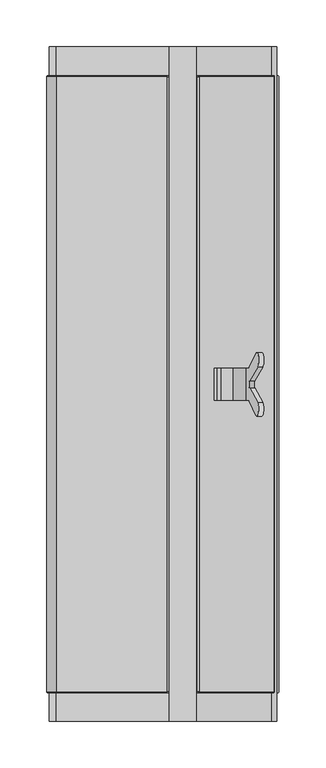
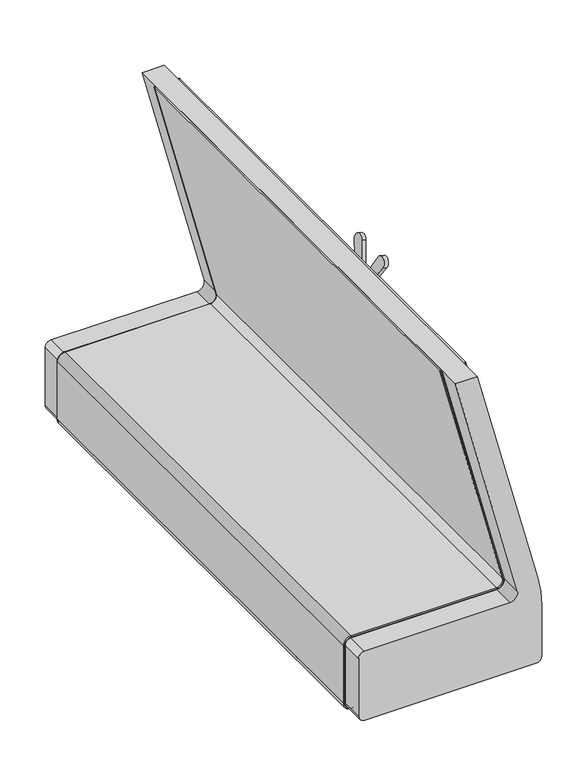
"""IFC4 building model written with IfcOpenShell, lengths in millimetres: furniture geometry."""

from ifc_helpers import new_model, si_unit, point, frame, frame_2d, origin, place, context, project, spatial, polyline, circle_curve, ellipse_curve, trimmed, segment, composite_curve, outline, extrude, source, transform, mapped, element, save
from ifc_brep_helpers import plane_surface, cylinder_surface, revolved_surface, advanced_brep


def furniture_b3154711(model_context):
    return source(origin(), model_context, "Body", "SolidModel", [
        advanced_brep(
        [(193.3587795, -385.5473242, 602.6326914), (217.7711079, -385.5473242, 603.0588101), (220.1620362, -385.5473242, 611.981876), (214.7769063, -385.5473242, 613.4248172), (212.72859, -385.5473242, 605.7803969), (198.7464015, -385.5473242, 605.5363369), (185.8906855, -385.5473242, 647.585489), (181.7685595, -385.5473242, 649.7772623), (178.4433422, -385.5473242, 648.7606414), (180.2031859, -385.5473242, 641.6817032), (181.3162582, -385.5473242, 642.0220036), (193.3587795, -351.4556914, 602.6326914), (181.3162582, -351.4556914, 642.0220036), (180.2031859, -351.4556914, 641.6817032), (178.4433422, -351.4556914, 648.7606414), (181.7685595, -351.4556914, 649.7772623), (185.8906855, -351.4556914, 647.585489), (198.7464015, -351.4556914, 605.5363369), (212.72859, -351.4556914, 605.7803969), (214.7769063, -351.4556914, 613.4248172), (220.1620362, -351.4556914, 611.981876), (217.7711079, -351.4556914, 603.0588101), (221.2840671, -350.3345338, 616.1693525), (228.1777232, -335.5704892, 641.8968271), (230.0576352, -350.1386607, 648.9127544), (221.614104, -364.6634895, 617.4010668), (221.5967593, -372.342626, 617.3363355), (230.0082453, -387.4973853, 648.7284287), (228.1721298, -401.4205473, 641.8759525), (221.2840671, -386.6684818, 616.1693525), (215.8989372, -386.6684818, 617.6122938), (222.7869999, -401.4205473, 643.3188937), (224.6231154, -387.4973853, 650.1713699), (216.2116294, -372.342626, 618.7792767), (216.2289741, -364.6634895, 618.844008), (224.6725053, -350.1386607, 650.3556956), (222.7925933, -335.5704892, 643.3397683), (215.8989372, -350.3345338, 617.6122938)],
        [
            (0, 1, circle_curve(frame((205.5038499, -385.5473242, 606.345812), z_axis=(0.0, -1.0, 0.0), x_axis=(1.0, 0.0, 0.0)), 12.7)),
            (1, 2),
            (2, 3),
            (3, 4),
            (4, 5, circle_curve(frame((205.7025042, -385.5473242, 607.6630309), z_axis=(0.0, 1.0, 0.0), x_axis=(1.0, 0.0, 0.0)), 7.2739393)),
            (5, 6),
            (6, 7, circle_curve(frame((182.7337359, -385.5473242, 646.6203126), z_axis=(0.0, -1.0, 0.0), x_axis=(1.0, 0.0, 0.0)), 3.3011963)),
            (7, 8),
            (8, 9),
            (9, 10),
            (10, 0),
            (11, 12),
            (12, 13),
            (13, 14),
            (14, 15),
            (15, 16, circle_curve(frame((182.7337359, -351.4556914, 646.6203126), z_axis=(0.0, 1.0, 0.0), x_axis=(1.0, 0.0, 0.0)), 3.3011963)),
            (16, 17),
            (17, 18, circle_curve(frame((205.7025042, -351.4556914, 607.6630309), z_axis=(0.0, -1.0, 0.0), x_axis=(1.0, 0.0, 0.0)), 7.2739393)),
            (18, 19),
            (19, 20),
            (20, 21),
            (21, 11, circle_curve(frame((205.5038499, -351.4556914, 606.345812), z_axis=(0.0, 1.0, 0.0), x_axis=(1.0, 0.0, 0.0)), 12.7)),
            (0, 11),
            (21, 1),
            (20, 22, circle_curve(frame((220.1620362, -342.5136355, 611.981876), z_axis=(-0.9659258262890681, 0.0, 0.25881904510252135), x_axis=(-0.25881904510252135, 0.0, -0.9659258262890681)), 8.942056)),
            (22, 23),
            (23, 24, circle_curve(frame((229.1999914, -342.696011, 645.7119842), z_axis=(0.9659258262890681, 0.0, -0.25881904510252135), x_axis=(-0.25881904510252135, 0.0, -0.9659258262890681)), 8.1469944)),
            (24, 25),
            (25, 26, circle_curve(frame((222.0583111, -368.5183279, 619.0588705), z_axis=(-0.9659258262890681, 0.0, 0.25881904510252135), x_axis=(0.0, -1.0, 0.0)), 4.219646)),
            (26, 27),
            (27, 28, circle_curve(frame((229.1531075, -394.5828338, 645.5370108), z_axis=(0.9659258262890681, 0.0, -0.25881904510252135), x_axis=(-0.25881904510252135, 0.0, -0.9659258262890681)), 7.8179274)),
            (28, 29),
            (29, 2, circle_curve(frame((220.1620362, -394.4893802, 611.981876), z_axis=(-0.9659258262890681, 0.0, 0.25881904510252135), x_axis=(-0.25881904510252135, 0.0, -0.9659258262890681)), 8.942056)),
            (3, 30, circle_curve(frame((214.7769063, -394.4893802, 613.4248172), z_axis=(0.9659258262890681, 0.0, -0.25881904510252135), x_axis=(-0.25881904510252135, 0.0, -0.9659258262890681)), 8.942056)),
            (30, 31),
            (31, 32, circle_curve(frame((223.7679776, -394.5828338, 646.979952), z_axis=(-0.9659258262890681, 0.0, 0.25881904510252135), x_axis=(-0.25881904510252135, 0.0, -0.9659258262890681)), 7.8179274)),
            (32, 33),
            (33, 34, circle_curve(frame((216.6731812, -368.5183279, 620.5018117), z_axis=(0.9659258262890681, 0.0, -0.25881904510252135), x_axis=(0.0, -1.0, 0.0)), 4.219646)),
            (34, 35),
            (35, 36, circle_curve(frame((223.8148615, -342.696011, 647.1549254), z_axis=(-0.9659258262890681, 0.0, 0.25881904510252135), x_axis=(-0.25881904510252135, 0.0, -0.9659258262890681)), 8.1469944)),
            (36, 37),
            (37, 19, circle_curve(frame((214.7769063, -342.5136355, 613.4248172), z_axis=(0.9659258262890681, 0.0, -0.25881904510252135), x_axis=(-0.25881904510252135, 0.0, -0.9659258262890681)), 8.942056)),
            (18, 4),
            (17, 5),
            (16, 6),
            (15, 7),
            (14, 8),
            (13, 9),
            (12, 10),
            (28, 31),
            (30, 29),
            (24, 35),
            (34, 25),
            (33, 26),
            (32, 27),
            (37, 22),
            (36, 23),
        ],
        [
            plane_surface(frame((218.2038499, -385.5473242, 606.345812), z_axis=(0.0, -1.0, 0.0), x_axis=(0.0, 0.0, 1.0))),
            plane_surface(frame((218.2038499, -351.4556914, 606.345812), z_axis=(0.0, 1.0, 0.0), x_axis=(0.0, 0.0, -1.0))),
            cylinder_surface(frame((205.5038499, -351.4556914, 606.345812), z_axis=(0.0, -1.0, 0.0), x_axis=(1.0, 0.0, 0.0)), 12.7),
            plane_surface(frame((217.7711079, -385.5473242, 603.0588101), z_axis=(0.9659258262890658, 0.0, -0.2588190451025303), x_axis=(0.0, 1.0, 0.0))),
            plane_surface(frame((213.9491973, -385.5473242, 610.3357653), z_axis=(-0.9659258262890684, 0.0, 0.2588190451025202), x_axis=(0.0, 1.0, 0.0))),
            revolved_surface(polyline([(212.9764435, -351.4556914, 607.6630309), (212.9764435, -385.5473242, 607.6630309)]), (205.7025042, -351.4556914, 607.6630309), (0.0, 1.0, 0.0)),
            plane_surface(frame((198.7464015, -385.5473242, 605.5363369), z_axis=(0.9563047559630361, 0.0, 0.2923717047227351), x_axis=(0.0, 1.0, 0.0))),
            cylinder_surface(frame((182.7337359, -351.4556914, 646.6203126), z_axis=(0.0, -1.0, 0.0), x_axis=(1.0, 0.0, 0.0)), 3.3011963),
            plane_surface(frame((181.7685595, -385.5473242, 649.7772623), z_axis=(-0.2923717047227147, 0.0, 0.9563047559630422), x_axis=(0.0, 1.0, 0.0))),
            plane_surface(frame((178.4433422, -385.5473242, 648.7606414), z_axis=(-0.9704607081355684, 0.0, -0.24125922565782051), x_axis=(0.0, 1.0, 0.0))),
            plane_surface(frame((180.2031859, -385.5473242, 641.6817032), z_axis=(0.29237170472277046, 0.0, -0.9563047559630252), x_axis=(0.0, 1.0, 0.0))),
            plane_surface(frame((181.3162582, -385.5473242, 642.0220036), z_axis=(-0.9563047559630361, 0.0, -0.2923717047227349), x_axis=(0.0, 1.0, 0.0))),
            plane_surface(frame((228.1721298, -401.4205473, 641.8759525), z_axis=(-0.1254779629686724, -0.8746197071393738, -0.46829013302937417), x_axis=(-0.9659258262890685, 0.0, 0.25881904510251996))),
            plane_surface(frame((230.0576352, -350.1386607, 648.9127544), z_axis=(0.10527118956909548, -0.9135454576425981, 0.3928774280450376), x_axis=(-0.9659258262890685, 0.0, 0.25881904510251996))),
            revolved_surface(polyline([(216.6731812, -372.7379739, 620.5018117), (222.05831115646887, -372.7379739, 619.0588704770274)]), (216.6731812, -368.5183279, 620.5018117), (-0.9659258262890681, 0.0, 0.25881904510252135)),
            plane_surface(frame((221.5967593, -372.342626, 617.3363355), z_axis=(0.10938165494660308, 0.9063077870366518, 0.40821789367673417), x_axis=(-0.9659258262890685, 0.0, 0.25881904510251996))),
            revolved_surface(polyline([(212.4625318364423, -394.4893802, 604.7874543878005), (217.84766180286627, -394.4893802, 603.3445131621605)]), (214.7769063, -394.4893802, 613.4248172), (-0.9659258262890681, 0.0, 0.25881904510252135)),
            revolved_surface(polyline([(212.4625318364423, -342.5136355, 604.7874543878005), (217.84766180286627, -342.5136355, 603.3445131621605)]), (214.7769063, -342.5136355, 613.4248172), (-0.9659258262890681, 0.0, 0.25881904510252135)),
            plane_surface(frame((221.2840671, -350.3345338, 616.1693525), z_axis=(-0.12547796296869354, 0.8746197071393723, -0.46829013302937084), x_axis=(-0.9659258262890685, 0.0, 0.25881904510251996))),
            cylinder_surface(frame((223.8148615, -342.696011, 647.1549254), z_axis=(0.9659258262890681, 0.0, -0.25881904510252135), x_axis=(-0.25881904510252135, 0.0, -0.9659258262890681)), 8.1469944),
            cylinder_surface(frame((223.7679776, -394.5828338, 646.979952), z_axis=(0.9659258262890681, 0.0, -0.25881904510252135), x_axis=(-0.25881904510252135, 0.0, -0.9659258262890681)), 7.8179274),
        ],
        [
            (0, [[1, 2, 3, 4, 5, 6, 7, 8, 9, 10, 11]]),
            (1, [[12, 13, 14, 15, 16, 17, 18, 19, 20, 21, 22]]),
            (2, [[-1, 23, -22, 24]]),
            (3, [[-2, -24, -21, 25, 26, 27, 28, 29, 30, 31, 32, 33]]),
            (4, [[-4, 34, 35, 36, 37, 38, 39, 40, 41, 42, -19, 43]]),
            (5, [[-5, -43, -18, 44]]),
            (6, [[-6, -44, -17, 45]]),
            (7, [[-7, -45, -16, 46]]),
            (8, [[-8, -46, -15, 47]]),
            (9, [[-9, -47, -14, 48]]),
            (10, [[-10, -48, -13, 49]]),
            (11, [[-11, -49, -12, -23]]),
            (12, [[-32, 50, -35, 51]]),
            (13, [[-28, 52, -39, 53]]),
            (14, [[-29, -53, -38, 54]]),
            (15, [[-30, -54, -37, 55]]),
            (16, [[-33, -51, -34, -3]]),
            (17, [[-25, -20, -42, 56]]),
            (18, [[-26, -56, -41, 57]]),
            (19, [[-27, -57, -40, -52]]),
            (20, [[-31, -55, -36, -50]]),
        ],
    ),
        extrude(outline(composite_curve([segment(polyline([(379.1040886, 202.6657788), (379.1040886, 10.0860828)]), True, "CONTINUOUS"), segment(trimmed(circle_curve(frame_2d((371.3713747, 10.0860828)), 7.7327139), [point((379.1040886, 10.0860828))], [point((371.3713747, 2.3533689))], False, "CARTESIAN"), True, "CONTINUOUS"), segment(polyline([(371.3713747, 2.3533689), (290.5217681, 2.3533689)]), True, "CONTINUOUS"), segment(trimmed(circle_curve(frame_2d((290.5217681, 10.6643227)), 8.3109538), [point((290.5217681, 2.3533689))], [point((282.2108144, 10.6643227))], False, "CARTESIAN"), True, "CONTINUOUS"), segment(polyline([(282.2108144, 10.6643227), (282.2108144, 237.4355134)]), True, "CONTINUOUS"), segment(trimmed(circle_curve(frame_2d((289.6814905, 237.4355134)), 7.4706762), [point((282.2108144, 237.4355134))], [point((289.6814905, 244.9061895))], False, "CARTESIAN"), True, "CONTINUOUS"), segment(polyline([(289.6814905, 244.9061895), (360.6059113, 244.9061895)]), True, "CONTINUOUS"), segment(trimmed(circle_curve(frame_2d((360.6059113, 82.1595585)), 162.7466311), [point((360.6059113, 244.9061895))], [point((401.2295525, 239.7545637))], False, "CARTESIAN"), True, "CONTINUOUS"), segment(polyline([(401.2295525, 239.7545637), (711.1999758, 159.8527468), (711.1999758, 130.6057283), (392.2204284, 212.8298487)]), True, "CONTINUOUS"), segment(trimmed(circle_curve(frame_2d((389.6004119, 202.6657788)), 10.4963233), [point((392.2204284, 212.8298487))], [point((379.1040886, 202.6657788))], True, "CARTESIAN"), True, "CONTINUOUS")], self_intersect=False)), frame((0.0, -727.494313, 0.0), z_axis=(0.0, 1.0, 0.0), x_axis=(0.0, 0.0, 1.0)), (0.0, 0.0, 1.0), 718.8698003),
        advanced_brep(
        [(247.2595585, -40.4461718, 294.1584798), (246.0571213, -39.2437347, 294.1584798), (244.9061895, -39.2437347, 294.1584798), (244.9061895, -697.3552722, 294.1584798), (246.046603, -697.3552722, 294.1584798), (247.2595585, -696.1423167, 294.1584798), (162.2726299, -40.4461718, 711.2403803), (162.2726299, -696.1423167, 711.2403803), (242.0334385, -696.1423167, 401.8169835), (242.0334385, -40.4461718, 401.8169835), (161.3326906, -697.3552722, 710.0274248), (240.8588783, -697.3552722, 401.5142143), (160.4489652, -697.3552722, 708.8870113), (160.4489652, -39.2437347, 708.8870113), (239.7545637, -39.2437347, 401.2295525), (239.7545637, -697.3552722, 401.2295525), (161.3408414, -39.2437347, 710.0379432), (240.8690637, -39.2437347, 401.5168398), (247.2595585, -696.1423167, 289.6814905), (247.2595585, -40.4461718, 289.6814905), (246.046603, -697.3552722, 289.6814905), (244.9061895, -697.3552722, 289.6814905), (237.4355134, -697.3552722, 282.2108144), (10.6643227, -697.3552722, 282.2108144), (2.3533689, -697.3552722, 290.5217681), (2.3533689, -697.3552722, 371.3713747), (10.0860828, -697.3552722, 379.1040886), (202.6657788, -697.3552722, 379.1040886), (212.8298487, -697.3552722, 392.2204284), (131.2019467, -697.3552722, 708.8870113), (217.5042924, -697.3552722, 379.0250139), (217.2173591, -697.3552722, 377.9212874), (129.7302871, -697.3552722, 710.0274248), (211.7255341, -697.3552722, 391.9357666), (202.6657788, -697.3552722, 380.2445021), (10.0860828, -697.3552722, 380.2445021), (1.2129555, -697.3552722, 371.3713747), (1.2129555, -697.3552722, 290.5217681), (10.6643227, -697.3552722, 281.0704009), (237.4355134, -697.3552722, 281.0704009), (244.9061895, -39.2437347, 289.6814905), (246.0571213, -39.2437347, 289.6814905), (237.4355134, -39.2437347, 281.0598825), (10.6643227, -39.2437347, 281.0598825), (1.2024371, -39.2437347, 290.5217681), (1.2024371, -39.2437347, 371.3713747), (10.0860828, -39.2437347, 380.2550204), (202.6657788, -39.2437347, 380.2550204), (211.7153487, -39.2437347, 391.9331411), (129.7167136, -39.2437347, 710.0379432), (217.2147126, -39.2437347, 377.9111074), (217.5042924, -39.2437347, 379.0250139), (131.2019467, -39.2437347, 708.8870113), (212.8298487, -39.2437347, 392.2204284), (202.6657788, -39.2437347, 379.1040886), (10.0860828, -39.2437347, 379.1040886), (2.3533689, -39.2437347, 371.3713747), (2.3533689, -39.2437347, 290.5217681), (10.6643227, -39.2437347, 282.2108144), (237.4355134, -39.2437347, 282.2108144), (237.4355134, -40.4461718, 279.8574454), (237.4355134, -696.1423167, 279.8574454), (10.6643227, -696.1423167, 279.8574454), (10.6643227, -40.4461718, 279.8574454), (0.0, -40.4461718, 290.5217681), (0.0, -696.1423167, 290.5217681), (0.0, -696.1423167, 371.3713747), (0.0, -40.4461718, 371.3713747), (10.0860828, -40.4461718, 381.4574575), (10.0860828, -696.1423167, 381.4574575), (202.6657788, -696.1423167, 381.4574575), (202.6657788, -40.4461718, 381.4574575), (210.5509739, -40.4461718, 391.6329974), (210.5509739, -696.1423167, 391.6329974), (128.1650149, -696.1423167, 711.2403803), (128.1650149, -40.4461718, 711.2403803), (216.9121739, -40.4461718, 376.7473526), (216.9121739, -696.1423167, 376.7473526)],
        [
            (0, 1, circle_curve(frame((246.0571213, -40.4461718, 294.1584798), z_axis=(0.0, 0.0, 1.0), x_axis=(0.0, 1.0, 0.0)), 1.2024371)),
            (1, 2),
            (2, 3),
            (3, 4),
            (4, 5, circle_curve(frame((246.046603, -696.1423167, 294.1584798), z_axis=(0.0, 0.0, 1.0), x_axis=(0.0, 1.0, 0.0)), 1.2129555)),
            (5, 0),
            (6, 7),
            (7, 8),
            (8, 9),
            (9, 6),
            (7, 10, ellipse_curve(frame((161.3326906, -696.1423167, 710.0274248), z_axis=(0.7904469600847142, 0.0, -0.6125304917249706), x_axis=(0.6125304917249708, 0.0, 0.7904469600847139)), 1.5345185, 1.2129555)),
            (10, 11),
            (11, 8, circle_curve(frame((240.8588783, -696.1423167, 401.5142143), z_axis=(-0.24961279341432757, 0.0, 0.9683457302863974), x_axis=(0.0, 1.0, 0.0)), 1.2129555)),
            (12, 13),
            (13, 14),
            (14, 15),
            (15, 12),
            (16, 6, ellipse_curve(frame((161.3408414, -40.4461718, 710.0379432), z_axis=(0.7904469600847142, 0.0, -0.6125304917249706), x_axis=(0.6125304917249708, 0.0, 0.7904469600847139)), 1.5212116, 1.2024371)),
            (9, 17, circle_curve(frame((240.8690637, -40.4461718, 401.5168398), z_axis=(-0.24961279341432757, 0.0, 0.9683457302863974), x_axis=(0.0, 1.0, 0.0)), 1.2024371)),
            (17, 16),
            (5, 18),
            (18, 19),
            (19, 0),
            (4, 20),
            (20, 18, circle_curve(frame((246.046603, -696.1423167, 289.6814905), z_axis=(0.0, 0.0, 1.0), x_axis=(0.0, 1.0, 0.0)), 1.2129555)),
            (3, 21),
            (21, 22, circle_curve(frame((237.4355134, -697.3552722, 289.6814905), z_axis=(0.0, 1.0, 0.0), x_axis=(1.0, 0.0, 0.0)), 7.4706762)),
            (22, 23),
            (23, 24, circle_curve(frame((10.6643227, -697.3552722, 290.5217681), z_axis=(0.0, 1.0, 0.0), x_axis=(0.0, 0.0, -1.0)), 8.3109538)),
            (24, 25),
            (25, 26, circle_curve(frame((10.0860828, -697.3552722, 371.3713747), z_axis=(0.0, 1.0, 0.0), x_axis=(-1.0, 0.0, 0.0)), 7.7327139)),
            (26, 27),
            (27, 28, circle_curve(frame((202.6657788, -697.3552722, 389.6004119), z_axis=(0.0, -1.0, 0.0), x_axis=(0.0, 0.0, -1.0)), 10.4963233)),
            (28, 29),
            (29, 12),
            (15, 30, circle_curve(frame((222.0932261, -697.3552722, 396.6769472), z_axis=(0.0, 1.0, 0.0), x_axis=(0.968345730286397, 0.0, 0.24961279341432874)), 18.2386694)),
            (30, 31),
            (31, 11, circle_curve(frame((222.0932261, -697.3552722, 396.6769472), z_axis=(0.0, -1.0, 0.0), x_axis=(0.968345730286397, 0.0, 0.24961279341432874)), 19.3790829)),
            (10, 32),
            (32, 33),
            (33, 34, circle_curve(frame((202.6657788, -697.3552722, 389.6004119), z_axis=(0.0, 1.0, 0.0), x_axis=(0.0, 0.0, -1.0)), 9.3559098)),
            (34, 35),
            (35, 36, circle_curve(frame((10.0860828, -697.3552722, 371.3713747), z_axis=(0.0, -1.0, 0.0), x_axis=(-1.0, 0.0, 0.0)), 8.8731274)),
            (36, 37),
            (37, 38, circle_curve(frame((10.6643227, -697.3552722, 290.5217681), z_axis=(0.0, -1.0, 0.0), x_axis=(0.0, 0.0, -1.0)), 9.4513672)),
            (38, 39),
            (39, 20, circle_curve(frame((237.4355134, -697.3552722, 289.6814905), z_axis=(0.0, -1.0, 0.0), x_axis=(1.0, 0.0, 0.0)), 8.6110896)),
            (2, 40),
            (40, 21),
            (1, 41),
            (41, 42, circle_curve(frame((237.4355134, -39.2437347, 289.6814905), z_axis=(0.0, 1.0, 0.0), x_axis=(1.0, 0.0, 0.0)), 8.621608)),
            (42, 43),
            (43, 44, circle_curve(frame((10.6643227, -39.2437347, 290.5217681), z_axis=(0.0, 1.0, 0.0), x_axis=(0.0, 0.0, -1.0)), 9.4618856)),
            (44, 45),
            (45, 46, circle_curve(frame((10.0860828, -39.2437347, 371.3713747), z_axis=(0.0, 1.0, 0.0), x_axis=(-1.0, 0.0, 0.0)), 8.8836457)),
            (46, 47),
            (47, 48, circle_curve(frame((202.6657788, -39.2437347, 389.6004119), z_axis=(0.0, -1.0, 0.0), x_axis=(0.0, 0.0, -1.0)), 9.3453914)),
            (48, 49),
            (49, 16),
            (17, 50, circle_curve(frame((222.0932261, -39.2437347, 396.6769472), z_axis=(0.0, 1.0, 0.0), x_axis=(0.968345730286397, 0.0, 0.24961279341432874)), 19.3896013)),
            (50, 51),
            (51, 14, circle_curve(frame((222.0932261, -39.2437347, 396.6769472), z_axis=(0.0, -1.0, 0.0), x_axis=(0.968345730286397, 0.0, 0.24961279341432874)), 18.2386694)),
            (13, 52),
            (52, 53),
            (53, 54, circle_curve(frame((202.6657788, -39.2437347, 389.6004119), z_axis=(0.0, 1.0, 0.0), x_axis=(0.0, 0.0, -1.0)), 10.4963233)),
            (54, 55),
            (55, 56, circle_curve(frame((10.0860828, -39.2437347, 371.3713747), z_axis=(0.0, -1.0, 0.0), x_axis=(-1.0, 0.0, 0.0)), 7.7327139)),
            (56, 57),
            (57, 58, circle_curve(frame((10.6643227, -39.2437347, 290.5217681), z_axis=(0.0, -1.0, 0.0), x_axis=(0.0, 0.0, -1.0)), 8.3109538)),
            (58, 59),
            (59, 40, circle_curve(frame((237.4355134, -39.2437347, 289.6814905), z_axis=(0.0, -1.0, 0.0), x_axis=(1.0, 0.0, 0.0)), 7.4706762)),
            (19, 41, circle_curve(frame((246.0571213, -40.4461718, 289.6814905), z_axis=(0.0, 0.0, 1.0), x_axis=(0.0, 1.0, 0.0)), 1.2024371)),
            (60, 19, circle_curve(frame((237.4355134, -40.4461718, 289.6814905), z_axis=(0.0, -1.0, 0.0), x_axis=(1.0, 0.0, 0.0)), 9.8240451)),
            (18, 61, circle_curve(frame((237.4355134, -696.1423167, 289.6814905), z_axis=(0.0, 1.0, 0.0), x_axis=(1.0, 0.0, 0.0)), 9.8240451)),
            (61, 60),
            (39, 61, circle_curve(frame((237.4355134, -696.1423167, 281.0704009), z_axis=(1.0, 0.0, 0.0), x_axis=(0.0, 1.0, 0.0)), 1.2129555)),
            (59, 22),
            (60, 42, circle_curve(frame((237.4355134, -40.4461718, 281.0598825), z_axis=(1.0, 0.0, 0.0), x_axis=(0.0, 1.0, 0.0)), 1.2024371)),
            (61, 62),
            (62, 63),
            (63, 60),
            (38, 62, circle_curve(frame((10.6643227, -696.1423167, 281.0704009), z_axis=(1.0, 0.0, 0.0), x_axis=(0.0, 1.0, 0.0)), 1.2129555)),
            (58, 23),
            (63, 43, circle_curve(frame((10.6643227, -40.4461718, 281.0598825), z_axis=(1.0, 0.0, 0.0), x_axis=(0.0, 1.0, 0.0)), 1.2024371)),
            (64, 63, circle_curve(frame((10.6643227, -40.4461718, 290.5217681), z_axis=(0.0, -1.0, 0.0), x_axis=(0.0, 0.0, -1.0)), 10.6643227)),
            (62, 65, circle_curve(frame((10.6643227, -696.1423167, 290.5217681), z_axis=(0.0, 1.0, 0.0), x_axis=(0.0, 0.0, -1.0)), 10.6643227)),
            (65, 64),
            (37, 65, circle_curve(frame((1.2129555, -696.1423167, 290.5217681), z_axis=(0.0, 0.0, -1.0), x_axis=(0.0, 1.0, 0.0)), 1.2129555)),
            (57, 24),
            (64, 44, circle_curve(frame((1.2024371, -40.4461718, 290.5217681), z_axis=(0.0, 0.0, -1.0), x_axis=(0.0, 1.0, 0.0)), 1.2024371)),
            (65, 66),
            (66, 67),
            (67, 64),
            (36, 66, circle_curve(frame((1.2129555, -696.1423167, 371.3713747), z_axis=(0.0, 0.0, -1.0), x_axis=(0.0, 1.0, 0.0)), 1.2129555)),
            (56, 25),
            (67, 45, circle_curve(frame((1.2024371, -40.4461718, 371.3713747), z_axis=(0.0, 0.0, -1.0), x_axis=(0.0, 1.0, 0.0)), 1.2024371)),
            (68, 67, circle_curve(frame((10.0860828, -40.4461718, 371.3713747), z_axis=(0.0, -1.0, 0.0), x_axis=(-1.0, 0.0, 0.0)), 10.0860828)),
            (66, 69, circle_curve(frame((10.0860828, -696.1423167, 371.3713747), z_axis=(0.0, 1.0, 0.0), x_axis=(-1.0, 0.0, 0.0)), 10.0860828)),
            (69, 68),
            (35, 69, circle_curve(frame((10.0860828, -696.1423167, 380.2445021), z_axis=(-1.0, 0.0, 0.0), x_axis=(0.0, 1.0, 0.0)), 1.2129555)),
            (55, 26),
            (68, 46, circle_curve(frame((10.0860828, -40.4461718, 380.2550204), z_axis=(-1.0, 0.0, 0.0), x_axis=(0.0, 1.0, 0.0)), 1.2024371)),
            (69, 70),
            (70, 71),
            (71, 68),
            (34, 70, circle_curve(frame((202.6657788, -696.1423167, 380.2445021), z_axis=(-1.0, 0.0, 0.0), x_axis=(0.0, 1.0, 0.0)), 1.2129555)),
            (54, 27),
            (71, 47, circle_curve(frame((202.6657788, -40.4461718, 380.2550204), z_axis=(-1.0, 0.0, 0.0), x_axis=(0.0, 1.0, 0.0)), 1.2024371)),
            (72, 71, circle_curve(frame((202.6657788, -40.4461718, 389.6004119), z_axis=(0.0, 1.0, 0.0), x_axis=(0.0, 0.0, -1.0)), 8.1429543)),
            (70, 73, circle_curve(frame((202.6657788, -696.1423167, 389.6004119), z_axis=(0.0, -1.0, 0.0), x_axis=(0.0, 0.0, -1.0)), 8.1429543)),
            (73, 72),
            (33, 73, circle_curve(frame((211.7255341, -696.1423167, 391.9357666), z_axis=(0.2496127934143152, 0.0, -0.9683457302864005), x_axis=(0.0, 1.0, 0.0)), 1.2129555)),
            (53, 28),
            (72, 48, circle_curve(frame((211.7153487, -40.4461718, 391.9331411), z_axis=(0.24961279341432657, 0.0, -0.9683457302863976), x_axis=(0.0, 1.0, 0.0)), 1.2024371)),
            (73, 74),
            (74, 75),
            (75, 72),
            (32, 74, ellipse_curve(frame((129.7302871, -696.1423167, 710.0274248), z_axis=(-0.6125304917249705, 0.0, -0.7904469600847144), x_axis=(0.7904469600847143, 0.0, -0.6125304917249704)), 1.9802369, 1.2129555)),
            (52, 29),
            (75, 49, ellipse_curve(frame((129.7167136, -40.4461718, 710.0379432), z_axis=(-0.6125304917249705, 0.0, -0.7904469600847144), x_axis=(0.7904469600847143, 0.0, -0.6125304917249704)), 1.9630649, 1.2024371)),
            (75, 6),
            (7, 74),
            (76, 77),
            (77, 31, circle_curve(frame((217.2173591, -696.1423167, 377.9212874), z_axis=(-0.9678301041715497, 0.0, 0.2516046292485238), x_axis=(0.0, 1.0, 0.0)), 1.2129555)),
            (30, 51),
            (50, 76, circle_curve(frame((217.2147126, -40.4461718, 377.9111074), z_axis=(-0.9678301041715497, 0.0, 0.2516046292485238), x_axis=(0.0, 1.0, 0.0)), 1.2024371)),
            (9, 76, circle_curve(frame((222.0932261, -40.4461718, 396.6769472), z_axis=(0.0, 1.0, 0.0), x_axis=(0.968345730286397, 0.0, 0.24961279341432874)), 20.5920384)),
            (77, 8, circle_curve(frame((222.0932261, -696.1423167, 396.6769472), z_axis=(0.0, -1.0, 0.0), x_axis=(0.968345730286397, 0.0, 0.24961279341432874)), 20.5920384)),
        ],
        [
            plane_surface(frame((247.2595585, -736.5990068, 294.1584798), z_axis=(0.0, 0.0, 1.0), x_axis=(0.0, 1.0, 0.0))),
            plane_surface(frame((162.2726299, -696.1423167, 711.2403803), z_axis=(0.9683457302863975, 0.0, 0.2496127934143274), x_axis=(0.2496127934143274, 0.0, -0.9683457302863975))),
            cylinder_surface(frame((161.0980697, -696.1423167, 710.9376111), z_axis=(-0.24961279341432757, 0.0, 0.9683457302863974), x_axis=(0.0, 1.0, 0.0)), 1.2129555),
            plane_surface(frame((160.4489652, -39.2437347, 708.8870113), z_axis=(-0.9683457302863975, 0.0, -0.2496127934143273), x_axis=(0.2496127934143273, 0.0, -0.9683457302863975))),
            cylinder_surface(frame((161.1082551, -40.4461718, 710.9402366), z_axis=(-0.24961279341432757, 0.0, 0.9683457302863974), x_axis=(0.0, 1.0, 0.0)), 1.2024371),
            plane_surface(frame((247.2595585, -696.1423167, 294.1584798), z_axis=(1.0, 0.0, 0.0), x_axis=(0.0, 0.0, -1.0))),
            cylinder_surface(frame((246.046603, -696.1423167, 294.1584798), z_axis=(0.0, 0.0, 1.0), x_axis=(0.0, 1.0, 0.0)), 1.2129555),
            plane_surface(frame((244.9061895, -697.3552722, 294.1584798), z_axis=(0.0, -1.0, 0.0), x_axis=(0.0, 0.0, -1.0))),
            plane_surface(frame((244.9061895, -39.2437347, 294.1584798), z_axis=(-1.0, 0.0, 0.0), x_axis=(0.0, 0.0, -1.0))),
            plane_surface(frame((246.0571213, -39.2437347, 294.1584798), z_axis=(0.0, 1.0, 0.0), x_axis=(0.0, 0.0, -1.0))),
            cylinder_surface(frame((246.0571213, -40.4461718, 294.1584798), z_axis=(0.0, 0.0, 1.0), x_axis=(0.0, 1.0, 0.0)), 1.2024371),
            cylinder_surface(frame((237.4355134, -736.5990068, 289.6814905), z_axis=(0.0, 1.0, 0.0), x_axis=(1.0, 0.0, 0.0)), 9.8240451),
            revolved_surface(trimmed(ellipse_curve(frame((246.046603, -696.1423167, 289.6814905), z_axis=(0.0, 0.0, 1.0), x_axis=(0.0, 1.0, 0.0)), 1.2129555, 1.2129555), [point((246.046603, -697.3552722, 289.6814905))], [point((247.2595585, -696.1423167, 289.6814905))], True, "CARTESIAN"), (237.4355134, -736.5990068, 289.6814905), (0.0, 1.0, 0.0)),
            revolved_surface(polyline([(244.9061896, -39.243734700000005, 289.6814905), (244.9061896, -697.3552722, 289.6814905)]), (237.4355134, -736.5990068, 289.6814905), (0.0, 1.0, 0.0)),
            revolved_surface(trimmed(ellipse_curve(frame((246.0571213, -40.4461718, 289.6814905), z_axis=(0.0, 0.0, 1.0), x_axis=(0.0, 1.0, 0.0)), 1.2024371, 1.2024371), [point((247.2595585, -40.4461718, 289.6814905))], [point((246.0571213, -39.2437347, 289.6814905))], True, "CARTESIAN"), (237.4355134, -736.5990068, 289.6814905), (0.0, 1.0, 0.0)),
            plane_surface(frame((237.4355134, -696.1423167, 279.8574454), z_axis=(0.0, 0.0, -1.0), x_axis=(-1.0, 0.0, 0.0))),
            cylinder_surface(frame((237.4355134, -696.1423167, 281.0704009), z_axis=(1.0, 0.0, 0.0), x_axis=(0.0, 1.0, 0.0)), 1.2129555),
            plane_surface(frame((237.4355134, -39.2437347, 282.2108144), z_axis=(0.0, 0.0, 1.0), x_axis=(-1.0, 0.0, 0.0))),
            cylinder_surface(frame((237.4355134, -40.4461718, 281.0598825), z_axis=(1.0, 0.0, 0.0), x_axis=(0.0, 1.0, 0.0)), 1.2024371),
            cylinder_surface(frame((10.6643227, -736.5990068, 290.5217681), z_axis=(0.0, 1.0, 0.0), x_axis=(0.0, 0.0, -1.0)), 10.6643227),
            revolved_surface(trimmed(ellipse_curve(frame((10.6643227, -696.1423167, 281.0704009), z_axis=(1.0, 0.0, 0.0), x_axis=(0.0, 1.0, 0.0)), 1.2129555, 1.2129555), [point((10.6643227, -697.3552722, 281.0704009))], [point((10.6643227, -696.1423167, 279.8574454))], True, "CARTESIAN"), (10.6643227, -736.5990068, 290.5217681), (0.0, 1.0, 0.0)),
            revolved_surface(polyline([(10.6643227, -39.243734700000005, 282.2108143), (10.6643227, -697.3552722, 282.2108143)]), (10.6643227, -736.5990068, 290.5217681), (0.0, 1.0, 0.0)),
            revolved_surface(trimmed(ellipse_curve(frame((10.6643227, -40.4461718, 281.0598825), z_axis=(1.0, 0.0, 0.0), x_axis=(0.0, 1.0, 0.0)), 1.2024371, 1.2024371), [point((10.6643227, -40.4461718, 279.8574454))], [point((10.6643227, -39.2437347, 281.0598825))], True, "CARTESIAN"), (10.6643227, -736.5990068, 290.5217681), (0.0, 1.0, 0.0)),
            plane_surface(frame((0.0, -696.1423167, 290.5217681), z_axis=(-1.0, 0.0, 0.0), x_axis=(0.0, 0.0, 1.0))),
            cylinder_surface(frame((1.2129555, -696.1423167, 290.5217681), z_axis=(0.0, 0.0, -1.0), x_axis=(0.0, 1.0, 0.0)), 1.2129555),
            plane_surface(frame((2.3533689, -39.2437347, 290.5217681), z_axis=(1.0, 0.0, 0.0), x_axis=(0.0, 0.0, 1.0))),
            cylinder_surface(frame((1.2024371, -40.4461718, 290.5217681), z_axis=(0.0, 0.0, -1.0), x_axis=(0.0, 1.0, 0.0)), 1.2024371),
            cylinder_surface(frame((10.0860828, -736.5990068, 371.3713747), z_axis=(0.0, 1.0, 0.0), x_axis=(-1.0, 0.0, 0.0)), 10.0860828),
            revolved_surface(trimmed(ellipse_curve(frame((1.2129555, -696.1423167, 371.3713747), z_axis=(0.0, 0.0, -1.0), x_axis=(0.0, 1.0, 0.0)), 1.2129555, 1.2129555), [point((1.2129555, -697.3552722, 371.3713747))], [point((0.0, -696.1423167, 371.3713747))], True, "CARTESIAN"), (10.0860828, -736.5990068, 371.3713747), (0.0, 1.0, 0.0)),
            revolved_surface(polyline([(2.3533688999999995, -39.243734700000005, 371.3713747), (2.3533688999999995, -697.3552722, 371.3713747)]), (10.0860828, -736.5990068, 371.3713747), (0.0, 1.0, 0.0)),
            revolved_surface(trimmed(ellipse_curve(frame((1.2024371, -40.4461718, 371.3713747), z_axis=(0.0, 0.0, -1.0), x_axis=(0.0, 1.0, 0.0)), 1.2024371, 1.2024371), [point((0.0, -40.4461718, 371.3713747))], [point((1.2024371, -39.2437347, 371.3713747))], True, "CARTESIAN"), (10.0860828, -736.5990068, 371.3713747), (0.0, 1.0, 0.0)),
            plane_surface(frame((10.0860828, -696.1423167, 381.4574575), z_axis=(0.0, 0.0, 1.0), x_axis=(1.0, 0.0, 0.0))),
            cylinder_surface(frame((10.0860828, -696.1423167, 380.2445021), z_axis=(-1.0, 0.0, 0.0), x_axis=(0.0, 1.0, 0.0)), 1.2129555),
            plane_surface(frame((10.0860828, -39.2437347, 379.1040886), z_axis=(0.0, 0.0, -1.0), x_axis=(1.0, 0.0, 0.0))),
            cylinder_surface(frame((10.0860828, -40.4461718, 380.2550204), z_axis=(-1.0, 0.0, 0.0), x_axis=(0.0, 1.0, 0.0)), 1.2024371),
            revolved_surface(polyline([(202.6657788, -696.1423167, 381.4574576), (202.6657788, -40.4461718, 381.4574576)]), (202.6657788, -736.5990068, 389.6004119), (0.0, -1.0, 0.0)),
            revolved_surface(trimmed(ellipse_curve(frame((202.6657788, -696.1423167, 380.2445021), z_axis=(-1.0, 0.0, 0.0), x_axis=(0.0, 1.0, 0.0)), 1.2129555, 1.2129555), [point((202.6657788, -697.3552722, 380.2445021))], [point((202.6657788, -696.1423167, 381.4574575))], True, "CARTESIAN"), (202.6657788, -736.5990068, 389.6004119), (0.0, -1.0, 0.0)),
            cylinder_surface(frame((202.6657788, -736.5990068, 389.6004119), z_axis=(0.0, -1.0, 0.0), x_axis=(0.0, 0.0, -1.0)), 10.4963233),
            revolved_surface(trimmed(ellipse_curve(frame((202.6657788, -40.4461718, 380.2550204), z_axis=(-1.0, 0.0, 0.0), x_axis=(0.0, 1.0, 0.0)), 1.2024371, 1.2024371), [point((202.6657788, -40.4461718, 381.4574575))], [point((202.6657788, -39.2437347, 380.2550204))], True, "CARTESIAN"), (202.6657788, -736.5990068, 389.6004119), (0.0, -1.0, 0.0)),
            plane_surface(frame((210.5509739, -696.1423167, 391.6329974), z_axis=(-0.9683457302863974, 0.0, -0.24961279341432777), x_axis=(-0.24961279341432777, 0.0, 0.9683457302863974))),
            cylinder_surface(frame((211.7255341, -696.1423167, 391.9357666), z_axis=(0.24961279341432782, 0.0, -0.9683457302863974), x_axis=(0.0, 1.0, 0.0)), 1.2129555),
            plane_surface(frame((212.8298487, -39.2437347, 392.2204284), z_axis=(0.9683457302863974, 0.0, 0.24961279341432777), x_axis=(-0.24961279341432777, 0.0, 0.9683457302863974))),
            cylinder_surface(frame((211.7153487, -40.4461718, 391.9331411), z_axis=(0.24961279341432782, 0.0, -0.9683457302863974), x_axis=(0.0, 1.0, 0.0)), 1.2024371),
            cylinder_surface(frame((128.1650149, -40.4461718, 710.0379432), z_axis=(-1.0, 0.0, 0.0), x_axis=(0.0, 1.0, 0.0)), 1.2024371),
            plane_surface(frame((131.2019467, -39.2437347, 708.8870113), z_axis=(0.0, 0.0, -1.0), x_axis=(1.0, 0.0, 0.0))),
            cylinder_surface(frame((128.1650149, -696.1423167, 710.0274248), z_axis=(-1.0, 0.0, 0.0), x_axis=(0.0, 1.0, 0.0)), 1.2129555),
            plane_surface(frame((128.1650149, -696.1423167, 711.2403803), z_axis=(0.0, 0.0, 1.0), x_axis=(1.0, 0.0, 0.0))),
            plane_surface(frame((216.9121739, -736.5990068, 376.7473526), z_axis=(-0.9678301041715498, 0.0, 0.2516046292485237), x_axis=(0.0, 1.0, 0.0))),
            revolved_surface(trimmed(ellipse_curve(frame((240.8690637, -40.4461718, 401.5168398), z_axis=(-0.24961279341432857, 0.0, 0.968345730286397), x_axis=(0.0, 1.0, 0.0)), 1.2024371, 1.2024371), [point((242.0334385, -40.4461718, 401.8169835))], [point((240.8690637, -39.2437347, 401.5168398))], True, "CARTESIAN"), (222.0932261, -736.5990068, 396.6769472), (0.0, 1.0, 0.0)),
            revolved_surface(polyline([(239.75456373959517, -39.243734700000005, 401.2295524170944), (239.75456373959517, -697.3552722, 401.2295524170944)]), (222.0932261, -736.5990068, 396.6769472), (0.0, 1.0, 0.0)),
            revolved_surface(trimmed(ellipse_curve(frame((240.8588783, -696.1423167, 401.5142143), z_axis=(-0.24961279341432857, 0.0, 0.968345730286397), x_axis=(0.0, 1.0, 0.0)), 1.2129555, 1.2129555), [point((240.8588783, -697.3552722, 401.5142143))], [point((242.0334385, -696.1423167, 401.8169835))], True, "CARTESIAN"), (222.0932261, -736.5990068, 396.6769472), (0.0, 1.0, 0.0)),
            cylinder_surface(frame((222.0932261, -736.5990068, 396.6769472), z_axis=(0.0, 1.0, 0.0), x_axis=(0.968345730286397, 0.0, 0.24961279341432874)), 20.5920384),
        ],
        [
            (0, [[1, 2, 3, 4, 5, 6]]),
            (1, [[7, 8, 9, 10]]),
            (2, [[11, 12, 13, -8]]),
            (3, [[14, 15, 16, 17]]),
            (4, [[18, -10, 19, 20]]),
            (5, [[-6, 21, 22, 23]]),
            (6, [[-5, 24, 25, -21]]),
            (7, [[-4, 26, 27, 28, 29, 30, 31, 32, 33, 34, 35, -17, 36, 37, 38, -12, 39, 40, 41, 42, 43, 44, 45, 46, 47, -24]]),
            (8, [[-3, 48, 49, -26]]),
            (9, [[-2, 50, 51, 52, 53, 54, 55, 56, 57, 58, 59, -20, 60, 61, 62, -15, 63, 64, 65, 66, 67, 68, 69, 70, 71, -48]]),
            (10, [[-1, -23, 72, -50]]),
            (11, [[73, -22, 74, 75]]),
            (12, [[-74, -25, -47, 76]]),
            (13, [[-27, -49, -71, 77]]),
            (14, [[-51, -72, -73, 78]]),
            (15, [[-75, 79, 80, 81]]),
            (16, [[-76, -46, 82, -79]]),
            (17, [[-77, -70, 83, -28]]),
            (18, [[-78, -81, 84, -52]]),
            (19, [[85, -80, 86, 87]]),
            (20, [[-86, -82, -45, 88]]),
            (21, [[-29, -83, -69, 89]]),
            (22, [[-53, -84, -85, 90]]),
            (23, [[-87, 91, 92, 93]]),
            (24, [[-88, -44, 94, -91]]),
            (25, [[-89, -68, 95, -30]]),
            (26, [[-90, -93, 96, -54]]),
            (27, [[97, -92, 98, 99]]),
            (28, [[-98, -94, -43, 100]]),
            (29, [[-31, -95, -67, 101]]),
            (30, [[-55, -96, -97, 102]]),
            (31, [[-99, 103, 104, 105]]),
            (32, [[-100, -42, 106, -103]]),
            (33, [[-101, -66, 107, -32]]),
            (34, [[-102, -105, 108, -56]]),
            (35, [[109, -104, 110, 111]]),
            (36, [[-110, -106, -41, 112]]),
            (37, [[-33, -107, -65, 113]]),
            (38, [[-57, -108, -109, 114]]),
            (39, [[-111, 115, 116, 117]]),
            (40, [[-112, -40, 118, -115]]),
            (41, [[-113, -64, 119, -34]]),
            (42, [[-114, -117, 120, -58]]),
            (43, [[-120, 121, -18, -59]]),
            (44, [[-119, -63, -14, -35]]),
            (45, [[-118, -39, -11, 122]]),
            (46, [[-116, -122, -7, -121]]),
            (47, [[123, 124, -37, 125, -61, 126]]),
            (48, [[-60, -19, 127, -126]]),
            (49, [[-36, -16, -62, -125]]),
            (50, [[128, -13, -38, -124]]),
            (51, [[-127, -9, -128, -123]]),
        ],
    ),
    ])


if __name__ == "__main__":
    model = new_model("IFC4")
    model_context = context("Model", 3, world=origin())
    ifc_project = project(units=[si_unit("LENGTHUNIT", "METRE", prefix="MILLI")], contexts=[model_context])
    site = spatial("IfcSite", under=ifc_project)
    building = spatial("IfcBuilding", under=site)
    placement = place(None, origin())
    furniture_shape = furniture_b3154711(model_context)
    element("IfcFurniture", 1, at=placement, inside=building, context=model_context, shape_type="MappedRepresentation", body=[
        mapped(furniture_shape, transform((0.0, 0.0, 0.0), x_axis=(1.0, 0.0, 0.0), y_axis=(0.0, 1.0, 0.0), z_axis=(0.0, 0.0, 1.0))),
    ])
    save(model, "model.ifc")
